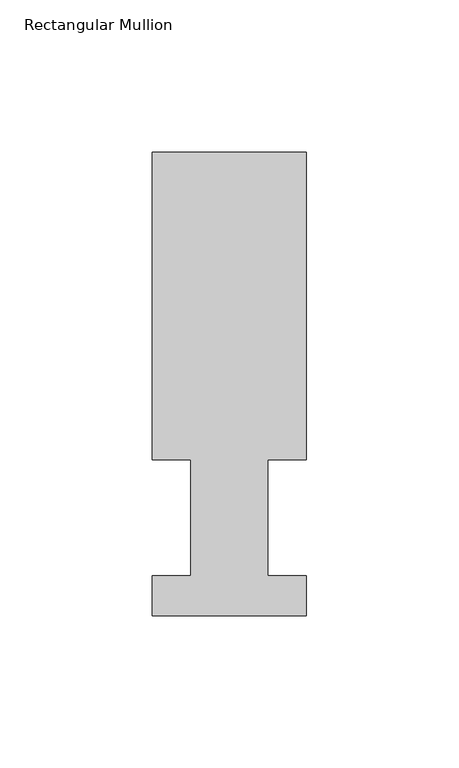
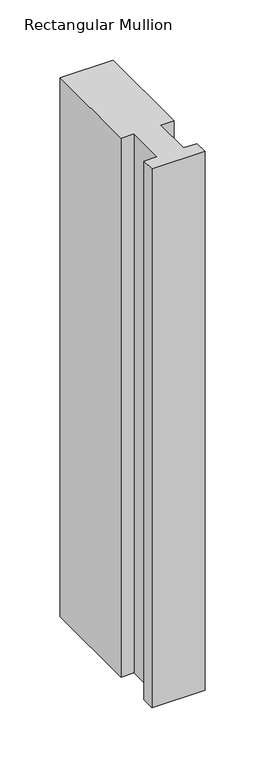
"""IFC4 building model written with IfcOpenShell, lengths in millimetres: member geometry, Rectangular Mullion."""

import ifcopenshell
import ifcopenshell.guid

model = None  # the IFC model being written
_history = None  # IfcOwnerHistory: only IFC2X3 demands one
_inside = {}  # id of a spatial element -> (the spatial element, [elements in it])
_under = {}  # id of a project, library or spatial element -> (it, [spatial elements below it])
_declared = {}  # id of a project -> (the project, [libraries it declares])
_typed = {}  # id of a type object -> (the type object, [elements of that type])
_made_of = {}  # id of a material, layer set ... -> (it, [elements and type objects made of it])


def new_model(schema):
    """Start an empty IFC model of exactly this schema.

    Asked for "IFC4X3", IfcOpenShell would pick the latest addendum, in which some entities
    have other attributes; the version numbers below select the first issue.
    IFC2X3 requires an IfcOwnerHistory on every rooted entity: one is made here for all.
    """
    global model, _history
    if schema == "IFC4X3":
        model = ifcopenshell.file(schema_version=(4, 3, 0, 0))
    else:
        model = ifcopenshell.file(schema=schema)
    _inside.clear()
    _under.clear()
    _declared.clear()
    _typed.clear()
    _made_of.clear()
    _history = None
    if model.schema == "IFC2X3":
        org = make("IfcOrganization", Name="unknown")
        user = make(
            "IfcPersonAndOrganization",
            ThePerson=make("IfcPerson", FamilyName="unknown"),
            TheOrganization=org,
        )
        app = make(
            "IfcApplication",
            ApplicationDeveloper=org,
            Version="unknown",
            ApplicationFullName="unknown",
            ApplicationIdentifier="unknown",
        )
        _history = make(
            "IfcOwnerHistory",
            OwningUser=user,
            OwningApplication=app,
            ChangeAction="ADDED",
            CreationDate=0,
        )
    return model


def make(cls, **values):
    """One entity of the class cls with the attributes given. An attribute that is None is left unset."""
    return model.create_entity(
        cls, **{name: value for name, value in values.items() if value is not None}
    )


def rooted(cls, **values):
    """An entity with a GlobalId (a new one), such as an element, a storey or a relation."""
    return make(cls, GlobalId=ifcopenshell.guid.new(), OwnerHistory=_history, **values)


def si_unit(unit_type, name, prefix=None):
    """IfcSIUnit, for example si_unit("LENGTHUNIT", "METRE", prefix="MILLI")."""
    return make("IfcSIUnit", UnitType=unit_type, Prefix=prefix, Name=name)


def assignment(units):
    """IfcUnitAssignment: the units of a project."""
    return None if units is None else make("IfcUnitAssignment", Units=units)


def point(xyz):
    """IfcCartesianPoint."""
    return None if xyz is None else make("IfcCartesianPoint", Coordinates=xyz)


def direction(xyz):
    """IfcDirection."""
    return None if xyz is None else make("IfcDirection", DirectionRatios=xyz)


def frame(location, z_axis=None, x_axis=None):
    """IfcAxis2Placement3D, a coordinate frame: its origin and axes. An axis left out is left unset."""
    return make(
        "IfcAxis2Placement3D",
        Location=point(location),
        Axis=direction(z_axis),
        RefDirection=direction(x_axis),
    )


def origin():
    """The frame at (0, 0, 0) with its axes left unset."""
    return frame((0.0, 0.0, 0.0))


def place(relative_to, where):
    """IfcLocalPlacement: puts the frame where relative to a parent placement (None: the world)."""
    return make(
        "IfcLocalPlacement", PlacementRelTo=relative_to, RelativePlacement=where
    )


def context(
    kind, dimensions, precision=None, world=None, true_north=None, identifier=None
):
    """IfcGeometricRepresentationContext, for example the 3D "Model" context."""
    return make(
        "IfcGeometricRepresentationContext",
        ContextIdentifier=identifier,
        ContextType=kind,
        CoordinateSpaceDimension=dimensions,
        Precision=precision,
        WorldCoordinateSystem=world,
        TrueNorth=true_north,
    )


def project(units=None, contexts=None):
    """IfcProject with its units and contexts."""
    return rooted(
        "IfcProject",
        Name="project",
        RepresentationContexts=contexts,
        UnitsInContext=assignment(units),
    )


def spatial(cls, under=None, at=None, **own):
    """A site, building, storey or space (cls), placed at a placement, below another one or the project."""
    s = rooted(cls, ObjectPlacement=at, **own)
    if under is not None:
        _under.setdefault(under.id(), (under, []))[1].append(s)
    return s


def polyline(points):
    """IfcPolyline through the points."""
    return make("IfcPolyline", Points=[point(p) for p in points])


def outline(outer, holes=None, kind="AREA"):
    """IfcArbitraryClosedProfileDef: a profile drawn as a closed curve; with holes, ...WithVoids."""
    if holes is None:
        return make("IfcArbitraryClosedProfileDef", ProfileType=kind, OuterCurve=outer)
    return make(
        "IfcArbitraryProfileDefWithVoids",
        ProfileType=kind,
        OuterCurve=outer,
        InnerCurves=holes,
    )


def extrude(swept, where, along, depth):
    """IfcExtrudedAreaSolid: the profile swept, set in the frame where, extruded along a direction by depth."""
    return make(
        "IfcExtrudedAreaSolid",
        SweptArea=swept,
        Position=where,
        ExtrudedDirection=direction(along),
        Depth=depth,
    )


def shape(context_of_items, identifier, shape_type, items):
    """IfcShapeRepresentation: the items that make up one representation, for example the "Body"."""
    return make(
        "IfcShapeRepresentation",
        ContextOfItems=context_of_items,
        RepresentationIdentifier=identifier,
        RepresentationType=shape_type,
        Items=items,
    )


def source(mapping_origin, context_of_items, identifier, shape_type, items):
    """IfcRepresentationMap: a shape defined once, which mapped items show again and again."""
    return make(
        "IfcRepresentationMap",
        MappingOrigin=mapping_origin,
        MappedRepresentation=shape(context_of_items, identifier, shape_type, items),
    )


def transform(
    local_origin,
    x_axis=None,
    y_axis=None,
    z_axis=None,
    scale=None,
    scale2=None,
    scale3=None,
    uniform=True,
):
    """IfcCartesianTransformationOperator3D, or its non-uniform kind. x_axis, y_axis, z_axis: its Axis1, 2, 3."""
    if uniform:
        return make(
            "IfcCartesianTransformationOperator3D",
            Axis1=direction(x_axis),
            Axis2=direction(y_axis),
            LocalOrigin=point(local_origin),
            Scale=scale,
            Axis3=direction(z_axis),
        )
    return make(
        "IfcCartesianTransformationOperator3DnonUniform",
        Axis1=direction(x_axis),
        Axis2=direction(y_axis),
        LocalOrigin=point(local_origin),
        Scale=scale,
        Axis3=direction(z_axis),
        Scale2=scale2,
        Scale3=scale3,
    )


def mapped(mapping_source, mapping_target):
    """IfcMappedItem: shows the shape of a source again, moved by a transform."""
    return make(
        "IfcMappedItem", MappingSource=mapping_source, MappingTarget=mapping_target
    )


def made_of(thing, what):
    """Note that an element or type object is made of a material, layer set ...; save() writes the relation."""
    if what is not None:
        _made_of.setdefault(what.id(), (what, []))[1].append(thing)
    return thing


def element(
    cls,
    number,
    at=None,
    inside=None,
    cuts=None,
    type_object=None,
    material=None,
    context=None,
    identifier="Body",
    shape_type=None,
    held_by="IfcProductDefinitionShape",
    body=None,
    shapes=None,
    **own,
):
    """One element of the class cls, such as IfcWall. Its Tag is "e" and its number.

    at: its placement. inside: the storey or other place that contains it. cuts: it is an
    opening in that element (IfcRelVoidsElement). A single representation is given by context,
    identifier, shape_type and body (its items); several are given by shapes. held_by: the class
    of the entity that holds the representations. save() writes the other relations.
    """
    e = rooted(cls, Tag="e%d" % number, ObjectPlacement=at, **own)
    if body is not None:
        shapes = [shape(context, identifier, shape_type, body)]
    if shapes is not None:
        e.Representation = make(held_by, Representations=shapes)
    if inside is not None:
        _inside.setdefault(inside.id(), (inside, []))[1].append(e)
    if cuts is not None:
        rooted(
            "IfcRelVoidsElement", RelatingBuildingElement=cuts, RelatedOpeningElement=e
        )
    if type_object is not None:
        _typed.setdefault(type_object.id(), (type_object, []))[1].append(e)
    return made_of(e, material)


def aggregate(whole, parts):
    """IfcRelAggregates: a whole, such as a stair, and the parts it consists of."""
    return rooted("IfcRelAggregates", RelatingObject=whole, RelatedObjects=parts)


def save(model, path):
    """Write the relations noted so far, then the file.

    IfcRelAggregates (storeys below a building ...), IfcRelContainedInSpatialStructure (elements
    in a storey), IfcRelDefinesByType, IfcRelAssociatesMaterial and IfcRelDeclares: one each for
    every whole, place, type object, material and project.
    """
    for whole, parts in _under.values():
        aggregate(whole, parts)
    for where, things in _inside.values():
        rooted(
            "IfcRelContainedInSpatialStructure",
            RelatedElements=things,
            RelatingStructure=where,
        )
    for kind, things in _typed.values():
        rooted("IfcRelDefinesByType", RelatedObjects=things, RelatingType=kind)
    for what, things in _made_of.values():
        rooted("IfcRelAssociatesMaterial", RelatedObjects=things, RelatingMaterial=what)
    for by, libraries in _declared.values():
        rooted("IfcRelDeclares", RelatingContext=by, RelatedDefinitions=libraries)
    model.write(path)


def rectangular_mullion_74c55db0(model_context):
    return source(origin(), model_context, "Body", "SweptSolid", [
        extrude(outline(polyline([(0.0, 152.498812), (50.8, 152.498812), (50.8, 51.2960937), (38.1, 51.2960937), (38.1, 13.1960938), (50.8, 13.1960938), (50.8, 0.0134938), (0.0, 0.0134938), (0.0, 13.1960938), (12.7, 13.1960938), (12.7, 51.2960937), (0.0, 51.2960937), (0.0, 152.498812)])), frame((0.0, 0.0, -546.1), z_axis=(0.0, 0.0, 1.0), x_axis=(1.0, 0.0, 0.0)), (0.0, 0.0, 1.0), 546.1),
    ])


if __name__ == "__main__":
    model = new_model("IFC4")
    model_context = context("Model", 3, world=origin())
    ifc_project = project(units=[si_unit("LENGTHUNIT", "METRE", prefix="MILLI")], contexts=[model_context])
    site = spatial("IfcSite", under=ifc_project)
    building = spatial("IfcBuilding", under=site)
    placement = place(None, origin())
    rectangular_mullion_shape = rectangular_mullion_74c55db0(model_context)
    element("IfcMember", 1, ObjectType="Rectangular Mullion", at=placement, inside=building, context=model_context, shape_type="MappedRepresentation", body=[
        mapped(rectangular_mullion_shape, transform((0.0, 0.0, 0.0), x_axis=(1.0, 0.0, 0.0), y_axis=(0.0, 1.0, 0.0), z_axis=(0.0, 0.0, 1.0))),
    ])
    save(model, "model.ifc")
